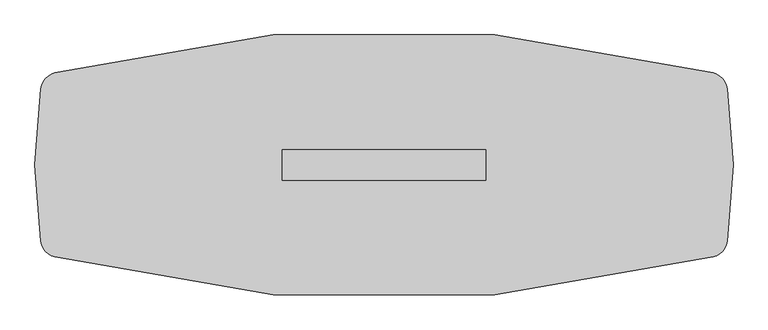
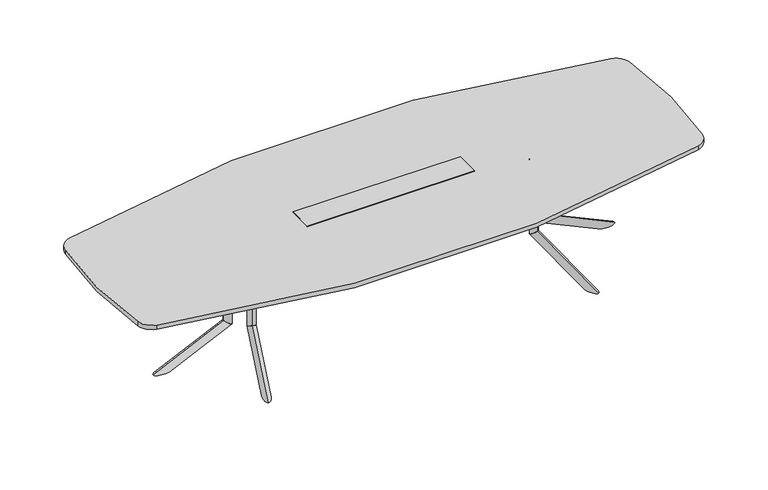
"""IFC4 building model written with IfcOpenShell, lengths in millimetres: furniture geometry."""

from ifc_helpers import new_model, si_unit, point, frame, frame_2d, origin, place, context, project, spatial, polyline, circle_curve, ellipse_curve, trimmed, segment, composite_curve, outline, extrude, faceted_brep, source, transform, mapped, element, save
from ifc_brep_helpers import plane_surface, cylinder_surface, advanced_brep


def furniture_1b339133(model_context):
    return source(origin(), model_context, "Body", "SolidModel", [
        advanced_brep(
        [(891.3223919, 75.2941685, 686.003912), (907.3497318, 122.655803, 686.003912), (907.3497318, 122.655803, 209.8373371), (891.3223919, 75.2941685, 177.9838308)],
        [
            (0, 1, circle_curve(frame((899.3360619, 98.9749857, 686.003912), z_axis=(0.0, 0.0, 1.0), x_axis=(0.3205467959798249, 0.9472326808060777, 0.0)), 25.0000002)),
            (1, 0, circle_curve(frame((899.3360619, 98.9749857, 686.003912), z_axis=(0.0, 0.0, 1.0), x_axis=(0.3205467959798249, 0.9472326808060777, 0.0)), 25.0000002)),
            (1, 2),
            (2, 3, ellipse_curve(frame((899.3360619, 98.9749857, 193.910584), z_axis=(-0.17222964099785984, -0.5089476688044559, 0.8433914993526187), x_axis=(0.2703464428741051, 0.7988879909008375, 0.5372995243062679)), 29.6422245, 25.0000002)),
            (3, 0),
            (3, 2, ellipse_curve(frame((899.3360619, 98.9749857, 193.910584), z_axis=(-0.17222964099785984, -0.5089476688044559, 0.8433914993526187), x_axis=(0.2703464428741051, 0.7988879909008375, 0.5372995243062679)), 29.6422245, 25.0000002)),
        ],
        [
            plane_surface(frame((907.3497318, 122.655803, 686.003912), z_axis=(0.0, 0.0, 1.0000000000000002), x_axis=(0.9472326808060777, -0.3205467959798249, 0.0))),
            cylinder_surface(frame((899.3360619, 98.9749857, 171.4949981), z_axis=(0.0, 0.0, 1.0), x_axis=(0.3205467959798249, 0.9472326808060777, 0.0)), 25.0000002),
            plane_surface(frame((973.4881968, 41.2603046, 174.2251154), z_axis=(0.17222964099785987, 0.508947668804456, -0.8433914993526189), x_axis=(-0.9472326808060767, 0.32054679597982794, 0.0))),
        ],
        [
            (0, [[1, 2]]),
            (1, [[3, 4, 5, -2]]),
            (1, [[-5, 6, -3, -1]]),
            (2, [[-6, -4]]),
        ],
    ),
        advanced_brep(
        [(1051.5935324, 548.9087623, 0.0), (1013.6663703, 436.8270746, 0.0), (891.3203866, 75.2882427, 177.9798453), (907.3497318, 122.6558029, 209.8373371)],
        [
            (0, 1, ellipse_curve(frame((1032.630699, 492.8676655, 0.0), z_axis=(0.0, 0.0, 1.0), x_axis=(-0.32054679597982483, -0.9472326808060776, 0.0)), 59.162434, 25.003125)),
            (1, 2),
            (2, 3, ellipse_curve(frame((899.3350592, 98.9720228, 193.9085912), z_axis=(0.17222964099785967, 0.5089476688044554, -0.843391499352619), x_axis=(-0.27034644287410003, -0.7988879909008393, -0.5372995243062673)), 29.6459333, 25.003125)),
            (3, 0),
            (3, 2, ellipse_curve(frame((899.3350592, 98.9720228, 193.9085912), z_axis=(0.17222964099785967, 0.5089476688044554, -0.843391499352619), x_axis=(-0.27034644287410003, -0.7988879909008393, -0.5372995243062673)), 29.6459333, 25.003125)),
            (1, 0, ellipse_curve(frame((1032.630699, 492.8676655, 0.0), z_axis=(0.0, 0.0, 1.0), x_axis=(-0.32054679597982483, -0.9472326808060776, 0.0)), 59.162434, 25.003125)),
        ],
        [
            cylinder_surface(frame((1048.2078767, 538.8990467, -22.6605205), z_axis=(-0.2905140573061644, -0.858484354750152, 0.42261826174069417), x_axis=(0.13546892972354252, 0.40031782902624236, 0.9063077870366524)), 25.003125),
            plane_surface(frame((976.6905535, 107.1040594, 214.6127246), z_axis=(-0.1722296409978597, -0.5089476688044555, 0.8433914993526193), x_axis=(-0.9472326808060767, 0.3205467959798279, 0.0))),
            plane_surface(frame((1057.5451428, 406.9632923, 0.0), z_axis=(0.0, 0.0, -1.0000000000000002), x_axis=(-0.9472326808060768, 0.3205467959798276, 0.0))),
        ],
        [
            (0, [[1, 2, 3, 4]]),
            (0, [[5, -2, 6, -4]]),
            (1, [[-5, -3]]),
            (2, [[-6, -1]]),
        ],
    ),
        extrude(outline(polyline([(0.0, 0.0), (-9.475476, 14.6158843), (381.7231629, 69.2843282), (391.4053704, 0.0), (0.0, 0.0)])), frame((1033.5005039, 489.1986462, 670.2172707), z_axis=(-0.9472326808060766, 0.320546795979828, 0.0), x_axis=(-0.3174619360313854, -0.9381167570298226, -0.13840111759322388)), (0.0, 0.0, 1.0), 4.0),
        extrude(outline(polyline([(827.323204, 120.1483939), (964.5259996, 525.589888), (1106.6109028, 477.5078683), (969.4081072, 72.0663742), (827.323204, 120.1483939)])), frame((0.0, 0.0, 686.003912), z_axis=(0.0, 0.0, 1.0), x_axis=(1.0, 0.0, 0.0)), (0.0, 0.0, 1.0), 3.9999739),
        advanced_brep(
        [(891.3223919, -75.2941685, 686.003912), (907.3497318, -122.655803, 686.003912), (891.3223919, -75.2941685, 177.9838308), (907.3497318, -122.655803, 209.8373371)],
        [
            (0, 1, circle_curve(frame((899.3360619, -98.9749857, 686.003912), z_axis=(0.0, 0.0, 1.0), x_axis=(0.3205467959798129, -0.9472326808060817, 0.0)), 25.0000002)),
            (1, 0, circle_curve(frame((899.3360619, -98.9749857, 686.003912), z_axis=(0.0, 0.0, 1.0), x_axis=(0.3205467959798129, -0.9472326808060817, 0.0)), 25.0000002)),
            (0, 2),
            (2, 3, ellipse_curve(frame((899.3360619, -98.9749857, 193.910584), z_axis=(-0.17222964099785343, 0.5089476688044581, 0.8433914993526187), x_axis=(0.270346442874095, -0.7988879909008408, 0.5372995243062678)), 29.6422245, 25.0000002)),
            (3, 1),
            (3, 2, ellipse_curve(frame((899.3360619, -98.9749857, 193.910584), z_axis=(-0.17222964099785343, 0.5089476688044581, 0.8433914993526187), x_axis=(0.270346442874095, -0.7988879909008408, 0.5372995243062678)), 29.6422245, 25.0000002)),
        ],
        [
            plane_surface(frame((907.3497318, -122.655803, 686.003912), z_axis=(0.0, 0.0, 1.0), x_axis=(0.9472326808060817, 0.3205467959798129, 0.0))),
            cylinder_surface(frame((899.3360619, -98.9749857, 171.4949981), z_axis=(0.0, 0.0, 1.0), x_axis=(0.3205467959798129, -0.9472326808060817, 0.0)), 25.0000002),
            plane_surface(frame((973.4881968, -41.2603046, 174.2251154), z_axis=(0.17222964099785343, -0.5089476688044581, -0.8433914993526187), x_axis=(-0.9472326808060807, -0.32054679597981595, 0.0))),
        ],
        [
            (0, [[1, 2]]),
            (1, [[-1, 3, 4, 5]]),
            (1, [[-2, -5, 6, -3]]),
            (2, [[-4, -6]]),
        ],
    ),
        advanced_brep(
        [(1051.5950232, -548.9082435, 6.4e-06), (907.3497318, -122.6558029, 209.8373371), (891.3203866, -75.2882427, 177.9798453), (1013.6663703, -436.8270746, 0.0)],
        [
            (0, 1),
            (1, 2, ellipse_curve(frame((899.3350592, -98.9720228, 193.9085912), z_axis=(0.17222964099785326, -0.5089476688044576, -0.843391499352619), x_axis=(-0.2703464428740898, 0.7988879909008427, -0.5372995243062677)), 29.6459333, 25.003125)),
            (2, 3),
            (3, 0, ellipse_curve(frame((1032.630699, -492.8676655, 0.0), z_axis=(0.0, 0.0, 1.0), x_axis=(-0.32054679597981284, 0.9472326808060817, 0.0)), 59.162434, 25.003125)),
            (0, 3, ellipse_curve(frame((1032.630699, -492.8676655, 0.0), z_axis=(0.0, 0.0, 1.0), x_axis=(-0.32054679597981284, 0.9472326808060817, 0.0)), 59.162434, 25.003125)),
            (2, 1, ellipse_curve(frame((899.3350592, -98.9720228, 193.9085912), z_axis=(0.17222964099785326, -0.5089476688044576, -0.843391499352619), x_axis=(-0.2703464428740898, 0.7988879909008427, -0.5372995243062677)), 29.6459333, 25.003125)),
        ],
        [
            cylinder_surface(frame((1048.2078767, -538.8990467, -22.6605205), z_axis=(-0.29051405730615354, 0.8584843547501557, 0.42261826174069417), x_axis=(0.13546892972353747, -0.400317829026244, 0.9063077870366524)), 25.003125),
            plane_surface(frame((976.6905535, -107.1040594, 214.6127246), z_axis=(-0.17222964099785326, 0.5089476688044576, 0.843391499352619), x_axis=(-0.9472326808060807, -0.3205467959798159, 0.0))),
            plane_surface(frame((1057.5451428, -406.9632923, 0.0), z_axis=(0.0, 0.0, -1.0), x_axis=(-0.9472326808060808, -0.3205467959798156, 0.0))),
        ],
        [
            (0, [[1, 2, 3, 4]]),
            (0, [[-1, 5, -3, 6]]),
            (1, [[-2, -6]]),
            (2, [[-4, -5]]),
        ],
    ),
        extrude(outline(polyline([(0.0, 0.0), (9.475476, -14.6158843), (-381.723163, -69.2843282), (-391.4053705, 0.0), (0.0, 0.0)])), frame((1029.7115732, -490.4808334, 670.2172707), z_axis=(0.9472326808060806, 0.320546795979816, 0.0), x_axis=(0.31746193603137357, -0.9381167570298267, 0.1384011175932239)), (0.0, 0.0, 1.0), 4.0),
        extrude(outline(polyline([(827.323204, -120.1483939), (969.4081072, -72.0663742), (1106.6109028, -477.5078683), (964.5259996, -525.589888), (827.323204, -120.1483939)])), frame((0.0, 0.0, 686.003912), z_axis=(0.0, 0.0, 1.0), x_axis=(1.0, 0.0, 0.0)), (0.0, 0.0, 1.0), 3.9999739),
        advanced_brep(
        [(970.220648, 0.0, 686.4114757), (1020.2206484, 0.0, 686.4114757), (970.220648, 0.0, 178.3913945), (1020.2206484, 0.0, 210.2449008)],
        [
            (0, 1, circle_curve(frame((995.2206482, 0.0, 686.4114757), z_axis=(0.0, 0.0, 1.0), x_axis=(1.0, 0.0, 0.0)), 25.0000002)),
            (1, 0, circle_curve(frame((995.2206482, 0.0, 686.4114757), z_axis=(0.0, 0.0, 1.0), x_axis=(1.0, 0.0, 0.0)), 25.0000002)),
            (0, 2),
            (2, 3, ellipse_curve(frame((995.2206482, 0.0, 194.3181477), z_axis=(-0.5372995243062679, 0.0, 0.8433914993526187), x_axis=(0.8433914993526187, 0.0, 0.5372995243062678)), 29.6422245, 25.0000002)),
            (3, 1),
            (3, 2, ellipse_curve(frame((995.2206482, 0.0, 194.3181477), z_axis=(-0.5372995243062679, 0.0, 0.8433914993526187), x_axis=(0.8433914993526187, 0.0, 0.5372995243062678)), 29.6422245, 25.0000002)),
        ],
        [
            plane_surface(frame((1020.2206484, 0.0, 686.4114757), z_axis=(0.0, 0.0, 1.0), x_axis=(0.0, 1.0, 0.0))),
            cylinder_surface(frame((995.2206482, 0.0, 171.9025618), z_axis=(0.0, 0.0, 1.0), x_axis=(1.0, 0.0, 0.0)), 25.0000002),
            plane_surface(frame((964.3206453, 88.7395816, 174.6326791), z_axis=(0.5372995243062679, 0.0, -0.8433914993526187), x_axis=(0.0, -1.0, 0.0))),
        ],
        [
            (0, [[1, 2]]),
            (1, [[-1, 3, 4, 5]]),
            (1, [[-2, -5, 6, -3]]),
            (2, [[-4, -6]]),
        ],
    ),
        advanced_brep(
        [(1470.2182563, 0.0, 0.4075701), (1020.2206484, 0.0, 210.2449008), (970.214392, 0.0, 178.387409), (1351.8934021, 0.0, 0.4075637)],
        [
            (0, 1),
            (1, 2, ellipse_curve(frame((995.2175202, 0.0, 194.3161549), z_axis=(0.5372995243062675, 0.0, -0.843391499352619), x_axis=(-0.843391499352619, 0.0, -0.5372995243062674)), 29.6459333, 25.003125)),
            (2, 3),
            (3, 0, ellipse_curve(frame((1411.055836, 0.0, 0.4075637), z_axis=(0.0, 0.0, 1.0), x_axis=(-1.0, 0.0, 0.0)), 59.162434, 25.003125)),
            (0, 3, ellipse_curve(frame((1411.055836, 0.0, 0.4075637), z_axis=(0.0, 0.0, 1.0), x_axis=(-1.0, 0.0, 0.0)), 59.162434, 25.003125)),
            (2, 1, ellipse_curve(frame((995.2175202, 0.0, 194.3161549), z_axis=(0.5372995243062675, 0.0, -0.843391499352619), x_axis=(-0.843391499352619, 0.0, -0.5372995243062674)), 29.6459333, 25.003125)),
        ],
        [
            cylinder_surface(frame((1459.6514791, 0.0, -22.2529568), z_axis=(-0.9063077870366524, 0.0, 0.42261826174069417), x_axis=(0.42261826174069417, 0.0, 0.9063077870366524)), 25.003125),
            plane_surface(frame((1027.7165069, 70.666954, 215.0202883), z_axis=(-0.5372995243062675, 0.0, 0.843391499352619), x_axis=(0.0, -1.0, 0.0))),
            plane_surface(frame((1337.6706514, 51.136147, 0.4075637), z_axis=(0.0, 0.0, -1.0), x_axis=(0.0, -1.0, 0.0))),
        ],
        [
            (0, [[1, 2, 3, 4]]),
            (0, [[-1, 5, -3, 6]]),
            (1, [[-2, -6]]),
            (2, [[-4, -5]]),
        ],
    ),
        extrude(outline(polyline([(670.6248344, 1407.8592342), (686.4114757, 1415.2206659), (686.4114757, 1020.2206484), (616.4538937, 1020.2206484), (670.6248344, 1407.8592342)])), frame((0.0, -2.0, 0.0), z_axis=(0.0, 1.0, 0.0), x_axis=(0.0, 0.0, 1.0)), (0.0, 0.0, 1.0), 4.0),
        extrude(outline(polyline([(992.1933015, -75.0000006), (992.1933015, 75.0000006), (1420.2206514, 75.0000006), (1420.2206514, -75.0000006), (992.1933015, -75.0000006)])), frame((0.0, 0.0, 686.4114757), z_axis=(0.0, 0.0, 1.0), x_axis=(1.0, 0.0, 0.0)), (0.0, 0.0, 1.0), 3.9999739),
        extrude(outline(composite_curve([segment(trimmed(circle_curve(frame_2d((893.7271514, 0.1720115)), 88.6441382), [point((921.6449789, 84.3051093))], [point((978.7833158, 25.1366295))], False, "CARTESIAN"), True, "CONTINUOUS"), segment(polyline([(978.7833158, 25.1366295), (974.2135834, 23.795379)]), True, "CONTINUOUS"), segment(trimmed(circle_curve(frame_2d((893.7271514, 0.1720115)), 83.8816382), [point((974.2135834, 23.795379))], [point((920.1450641, 79.7849698))], True, "CARTESIAN"), True, "CONTINUOUS"), segment(polyline([(920.1450641, 79.7849698), (921.6449789, 84.3051093)]), True, "CONTINUOUS")], self_intersect=False)), frame((0.0, 0.0, 417.003907), z_axis=(0.0, 0.0, 1.0), x_axis=(1.0, 0.0, 0.0)), (0.0, 0.0, 1.0), 199.4499866),
        extrude(outline(composite_curve([segment(polyline([(921.6449789, -84.3051093), (920.1450641, -79.7849698)]), True, "CONTINUOUS"), segment(trimmed(circle_curve(frame_2d((893.7271514, -0.1720115)), 83.8816382), [point((920.1450641, -79.7849698))], [point((974.2135834, -23.795379))], True, "CARTESIAN"), True, "CONTINUOUS"), segment(polyline([(974.2135834, -23.795379), (978.7833158, -25.1366295)]), True, "CONTINUOUS"), segment(trimmed(circle_curve(frame_2d((893.7271514, -0.1720115)), 88.6441382), [point((978.7833158, -25.1366295))], [point((921.6449789, -84.3051093))], False, "CARTESIAN"), True, "CONTINUOUS")], self_intersect=False)), frame((0.0, 0.0, 417.003907), z_axis=(0.0, 0.0, 1.0), x_axis=(1.0, 0.0, 0.0)), (0.0, 0.0, 1.0), 199.4499866),
        faceted_brep([(533.4, 79.6726562, 721.2210938), (-533.4, 79.6726562, 721.2210938), (-533.4, -79.6726563, 721.2210938), (533.4, -79.6726563, 721.2210938), (533.4, 79.6726562, 718.0460938), (533.4, -79.6726563, 718.0460938), (-533.4, -79.6726563, 718.0460938), (-533.4, 79.6726562, 718.0460938), (530.225, 74.9101562, 718.0460938), (-530.225, 74.9101562, 718.0460938), (-530.225, -74.9101563, 718.0460938), (530.225, -74.9101563, 718.0460938), (530.225, 74.9101562, 648.1960938), (530.225, -74.9101563, 648.1960938), (-530.225, -74.9101563, 648.1960938), (-530.225, 74.9101562, 648.1960938)], [[[0, 1, 2, 3]], [[4, 5, 6, 7], [8, 9, 10, 11]], [[1, 0, 4, 7]], [[2, 1, 7, 6]], [[3, 2, 6, 5]], [[0, 3, 5, 4]], [[12, 13, 14, 15]], [[12, 15, 9, 8]], [[15, 14, 10, 9]], [[14, 13, 11, 10]], [[13, 12, 8, 11]]]),
        advanced_brep(
        [(-891.3223919, -75.2941685, 686.003912), (-907.3497318, -122.655803, 686.003912), (-907.3497318, -122.655803, 209.8373371), (-891.3223919, -75.2941685, 177.9838308)],
        [
            (0, 1, circle_curve(frame((-899.3360619, -98.9749857, 686.003912), z_axis=(0.0, 0.0, 1.0), x_axis=(-0.3205467959798189, -0.9472326808060797, 0.0)), 25.0000002)),
            (1, 0, circle_curve(frame((-899.3360619, -98.9749857, 686.003912), z_axis=(0.0, 0.0, 1.0), x_axis=(-0.3205467959798189, -0.9472326808060797, 0.0)), 25.0000002)),
            (1, 2),
            (2, 3, ellipse_curve(frame((-899.3360619, -98.9749857, 193.910584), z_axis=(0.17222964099785665, 0.508947668804457, 0.8433914993526188), x_axis=(-0.27034644287410003, -0.7988879909008393, 0.5372995243062675)), 29.6422245, 25.0000002)),
            (3, 0),
            (3, 2, ellipse_curve(frame((-899.3360619, -98.9749857, 193.910584), z_axis=(0.17222964099785665, 0.508947668804457, 0.8433914993526188), x_axis=(-0.27034644287410003, -0.7988879909008393, 0.5372995243062675)), 29.6422245, 25.0000002)),
        ],
        [
            plane_surface(frame((-907.3497318, -122.655803, 686.003912), z_axis=(0.0, 0.0, 1.0), x_axis=(-0.9472326808060797, 0.3205467959798189, 0.0))),
            cylinder_surface(frame((-899.3360619, -98.9749857, 171.4949981), z_axis=(0.0, 0.0, 1.0), x_axis=(-0.3205467959798189, -0.9472326808060797, 0.0)), 25.0000002),
            plane_surface(frame((-973.4881968, -41.2603046, 174.2251154), z_axis=(-0.17222964099785665, -0.508947668804457, -0.8433914993526188), x_axis=(0.9472326808060787, -0.32054679597982194, 0.0))),
        ],
        [
            (0, [[1, 2]]),
            (1, [[3, 4, 5, -2]]),
            (1, [[-5, 6, -3, -1]]),
            (2, [[-6, -4]]),
        ],
    ),
        advanced_brep(
        [(-1051.5935324, -548.9087623, 0.0), (-1013.6663703, -436.8270746, 0.0), (-891.3203866, -75.2882427, 177.9798453), (-907.3497318, -122.6558029, 209.8373371)],
        [
            (0, 1, ellipse_curve(frame((-1032.630699, -492.8676655, 0.0), z_axis=(0.0, 0.0, 1.0), x_axis=(0.32054679597981883, 0.9472326808060797, 0.0)), 59.162434, 25.003125)),
            (1, 2),
            (2, 3, ellipse_curve(frame((-899.3350592, -98.9720228, 193.9085912), z_axis=(-0.17222964099785648, -0.5089476688044566, -0.843391499352619), x_axis=(0.2703464428740949, 0.798887990900841, -0.5372995243062678)), 29.6459333, 25.003125)),
            (3, 0),
            (3, 2, ellipse_curve(frame((-899.3350592, -98.9720228, 193.9085912), z_axis=(-0.17222964099785648, -0.5089476688044566, -0.843391499352619), x_axis=(0.2703464428740949, 0.798887990900841, -0.5372995243062678)), 29.6459333, 25.003125)),
            (1, 0, ellipse_curve(frame((-1032.630699, -492.8676655, 0.0), z_axis=(0.0, 0.0, 1.0), x_axis=(0.32054679597981883, 0.9472326808060797, 0.0)), 59.162434, 25.003125)),
        ],
        [
            cylinder_surface(frame((-1048.2078767, -538.8990467, -22.6605205), z_axis=(0.290514057306159, 0.8584843547501538, 0.42261826174069417), x_axis=(-0.13546892972354, -0.4003178290262432, 0.9063077870366524)), 25.003125),
            plane_surface(frame((-976.6905535, -107.1040594, 214.6127246), z_axis=(0.17222964099785648, 0.5089476688044566, 0.843391499352619), x_axis=(0.9472326808060787, -0.3205467959798219, 0.0))),
            plane_surface(frame((-1057.5451428, -406.9632923, 0.0), z_axis=(0.0, 0.0, -1.0000000000000002), x_axis=(0.9472326808060788, -0.3205467959798216, 0.0))),
        ],
        [
            (0, [[1, 2, 3, 4]]),
            (0, [[5, -2, 6, -4]]),
            (1, [[-5, -3]]),
            (2, [[-6, -1]]),
        ],
    ),
        extrude(outline(polyline([(0.0, 0.0), (-391.4053705, 0.0), (-381.723163, 69.2843282), (9.475476, 14.6158843), (0.0, 0.0)])), frame((-1029.7115732, -490.4808334, 670.2172707), z_axis=(-0.9472326808060786, 0.320546795979822, 0.0), x_axis=(-0.31746193603137945, -0.9381167570298246, 0.13840111759322388)), (0.0, 0.0, 1.0), 4.0),
        extrude(outline(polyline([(-827.323204, -120.1483939), (-964.5259996, -525.589888), (-1106.6109028, -477.5078683), (-969.4081072, -72.0663742), (-827.323204, -120.1483939)])), frame((0.0, 0.0, 686.003912), z_axis=(0.0, 0.0, 1.0), x_axis=(1.0, 0.0, 0.0)), (0.0, 0.0, 1.0), 3.9999739),
        advanced_brep(
        [(-891.3223919, 75.2941685, 686.003912), (-907.3497318, 122.655803, 686.003912), (-891.3223919, 75.2941685, 177.9838308), (-907.3497318, 122.655803, 209.8373371)],
        [
            (0, 1, circle_curve(frame((-899.3360619, 98.9749857, 686.003912), z_axis=(0.0, 0.0, 1.0), x_axis=(-0.3205467959798189, 0.9472326808060797, 0.0)), 25.0000002)),
            (1, 0, circle_curve(frame((-899.3360619, 98.9749857, 686.003912), z_axis=(0.0, 0.0, 1.0), x_axis=(-0.3205467959798189, 0.9472326808060797, 0.0)), 25.0000002)),
            (0, 2),
            (2, 3, ellipse_curve(frame((-899.3360619, 98.9749857, 193.910584), z_axis=(0.17222964099785665, -0.508947668804457, 0.8433914993526188), x_axis=(-0.27034644287410003, 0.7988879909008393, 0.5372995243062675)), 29.6422245, 25.0000002)),
            (3, 1),
            (3, 2, ellipse_curve(frame((-899.3360619, 98.9749857, 193.910584), z_axis=(0.17222964099785665, -0.508947668804457, 0.8433914993526188), x_axis=(-0.27034644287410003, 0.7988879909008393, 0.5372995243062675)), 29.6422245, 25.0000002)),
        ],
        [
            plane_surface(frame((-907.3497318, 122.655803, 686.003912), z_axis=(0.0, 0.0, 1.0), x_axis=(-0.9472326808060797, -0.3205467959798189, 0.0))),
            cylinder_surface(frame((-899.3360619, 98.9749857, 171.4949981), z_axis=(0.0, 0.0, 1.0), x_axis=(-0.3205467959798189, 0.9472326808060797, 0.0)), 25.0000002),
            plane_surface(frame((-973.4881968, 41.2603046, 174.2251154), z_axis=(-0.17222964099785665, 0.508947668804457, -0.8433914993526188), x_axis=(0.9472326808060787, 0.32054679597982194, 0.0))),
        ],
        [
            (0, [[1, 2]]),
            (1, [[-1, 3, 4, 5]]),
            (1, [[-2, -5, 6, -3]]),
            (2, [[-4, -6]]),
        ],
    ),
        advanced_brep(
        [(-1051.5950232, 548.9082435, 6.4e-06), (-907.3497318, 122.6558029, 209.8373371), (-891.3203866, 75.2882427, 177.9798453), (-1013.6663703, 436.8270746, 0.0)],
        [
            (0, 1),
            (1, 2, ellipse_curve(frame((-899.3350592, 98.9720228, 193.9085912), z_axis=(-0.17222964099785648, 0.5089476688044566, -0.843391499352619), x_axis=(0.2703464428740949, -0.798887990900841, -0.5372995243062678)), 29.6459333, 25.003125)),
            (2, 3),
            (3, 0, ellipse_curve(frame((-1032.630699, 492.8676655, 0.0), z_axis=(0.0, 0.0, 1.0), x_axis=(0.32054679597981883, -0.9472326808060797, 0.0)), 59.162434, 25.003125)),
            (0, 3, ellipse_curve(frame((-1032.630699, 492.8676655, 0.0), z_axis=(0.0, 0.0, 1.0), x_axis=(0.32054679597981883, -0.9472326808060797, 0.0)), 59.162434, 25.003125)),
            (2, 1, ellipse_curve(frame((-899.3350592, 98.9720228, 193.9085912), z_axis=(-0.17222964099785648, 0.5089476688044566, -0.843391499352619), x_axis=(0.2703464428740949, -0.798887990900841, -0.5372995243062678)), 29.6459333, 25.003125)),
        ],
        [
            cylinder_surface(frame((-1048.2078767, 538.8990467, -22.6605205), z_axis=(0.290514057306159, -0.8584843547501538, 0.42261826174069417), x_axis=(-0.13546892972354, 0.4003178290262432, 0.9063077870366524)), 25.003125),
            plane_surface(frame((-976.6905535, 107.1040594, 214.6127246), z_axis=(0.17222964099785648, -0.5089476688044566, 0.843391499352619), x_axis=(0.9472326808060787, 0.3205467959798219, 0.0))),
            plane_surface(frame((-1057.5451428, 406.9632923, 0.0), z_axis=(0.0, 0.0, -1.0000000000000002), x_axis=(0.9472326808060788, 0.3205467959798216, 0.0))),
        ],
        [
            (0, [[1, 2, 3, 4]]),
            (0, [[-1, 5, -3, 6]]),
            (1, [[-2, -6]]),
            (2, [[-4, -5]]),
        ],
    ),
        extrude(outline(polyline([(0.0, 0.0), (391.4053704, 0.0), (381.7231629, -69.2843282), (-9.475476, -14.6158843), (0.0, 0.0)])), frame((-1033.5005039, 489.1986462, 670.2172707), z_axis=(0.9472326808060786, 0.320546795979822, 0.0), x_axis=(0.31746193603137945, -0.9381167570298246, -0.13840111759322388)), (0.0, 0.0, 1.0), 4.0),
        extrude(outline(polyline([(-827.323204, 120.1483939), (-969.4081072, 72.0663742), (-1106.6109028, 477.5078683), (-964.5259996, 525.589888), (-827.323204, 120.1483939)])), frame((0.0, 0.0, 686.003912), z_axis=(0.0, 0.0, 1.0), x_axis=(1.0, 0.0, 0.0)), (0.0, 0.0, 1.0), 3.9999739),
        advanced_brep(
        [(-970.220648, 0.0, 686.4114757), (-1020.2206484, 0.0, 686.4114757), (-970.220648, 0.0, 178.3913945), (-1020.2206484, 0.0, 210.2449008)],
        [
            (0, 1, circle_curve(frame((-995.2206482, 0.0, 686.4114757), z_axis=(0.0, 0.0, 1.0), x_axis=(-1.0, 0.0, 0.0)), 25.0000002)),
            (1, 0, circle_curve(frame((-995.2206482, 0.0, 686.4114757), z_axis=(0.0, 0.0, 1.0), x_axis=(-1.0, 0.0, 0.0)), 25.0000002)),
            (0, 2),
            (2, 3, ellipse_curve(frame((-995.2206482, 0.0, 194.3181477), z_axis=(0.5372995243062679, 0.0, 0.8433914993526187), x_axis=(-0.8433914993526187, 0.0, 0.5372995243062678)), 29.6422245, 25.0000002)),
            (3, 1),
            (3, 2, ellipse_curve(frame((-995.2206482, 0.0, 194.3181477), z_axis=(0.5372995243062679, 0.0, 0.8433914993526187), x_axis=(-0.8433914993526187, 0.0, 0.5372995243062678)), 29.6422245, 25.0000002)),
        ],
        [
            plane_surface(frame((-1020.2206484, 0.0, 686.4114757), z_axis=(0.0, 0.0, 1.0), x_axis=(0.0, -1.0, 0.0))),
            cylinder_surface(frame((-995.2206482, 0.0, 171.9025618), z_axis=(0.0, 0.0, 1.0), x_axis=(-1.0, 0.0, 0.0)), 25.0000002),
            plane_surface(frame((-964.3206453, -88.7395816, 174.6326791), z_axis=(-0.5372995243062679, 0.0, -0.8433914993526187), x_axis=(0.0, 1.0, 0.0))),
        ],
        [
            (0, [[1, 2]]),
            (1, [[-1, 3, 4, 5]]),
            (1, [[-2, -5, 6, -3]]),
            (2, [[-4, -6]]),
        ],
    ),
        advanced_brep(
        [(-1470.2182563, 0.0, 0.4075701), (-1020.2206484, 0.0, 210.2449008), (-970.214392, 0.0, 178.387409), (-1351.8934021, 0.0, 0.4075637)],
        [
            (0, 1),
            (1, 2, ellipse_curve(frame((-995.2175202, 0.0, 194.3161549), z_axis=(-0.5372995243062675, 0.0, -0.843391499352619), x_axis=(0.843391499352619, 0.0, -0.5372995243062674)), 29.6459333, 25.003125)),
            (2, 3),
            (3, 0, ellipse_curve(frame((-1411.055836, 0.0, 0.4075637), z_axis=(0.0, 0.0, 1.0), x_axis=(1.0, 0.0, 0.0)), 59.162434, 25.003125)),
            (0, 3, ellipse_curve(frame((-1411.055836, 0.0, 0.4075637), z_axis=(0.0, 0.0, 1.0), x_axis=(1.0, 0.0, 0.0)), 59.162434, 25.003125)),
            (2, 1, ellipse_curve(frame((-995.2175202, 0.0, 194.3161549), z_axis=(-0.5372995243062675, 0.0, -0.843391499352619), x_axis=(0.843391499352619, 0.0, -0.5372995243062674)), 29.6459333, 25.003125)),
        ],
        [
            cylinder_surface(frame((-1459.6514791, 0.0, -22.2529568), z_axis=(0.9063077870366524, 0.0, 0.42261826174069417), x_axis=(-0.42261826174069417, 0.0, 0.9063077870366524)), 25.003125),
            plane_surface(frame((-1027.7165069, -70.666954, 215.0202883), z_axis=(0.5372995243062675, 0.0, 0.843391499352619), x_axis=(0.0, 1.0, 0.0))),
            plane_surface(frame((-1337.6706514, -51.136147, 0.4075637), z_axis=(0.0, 0.0, -1.0), x_axis=(0.0, 1.0, 0.0))),
        ],
        [
            (0, [[1, 2, 3, 4]]),
            (0, [[-1, 5, -3, 6]]),
            (1, [[-2, -6]]),
            (2, [[-4, -5]]),
        ],
    ),
        extrude(outline(polyline([(670.6248344, -1407.8592342), (616.4538937, -1020.2206484), (686.4114757, -1020.2206484), (686.4114757, -1415.2206659), (670.6248344, -1407.8592342)])), frame((0.0, -2.0, 0.0), z_axis=(0.0, 1.0, 0.0), x_axis=(0.0, 0.0, 1.0)), (0.0, 0.0, 1.0), 4.0),
        extrude(outline(polyline([(-992.1933015, 75.0000006), (-992.1933015, -75.0000006), (-1420.2206514, -75.0000006), (-1420.2206514, 75.0000006), (-992.1933015, 75.0000006)])), frame((0.0, 0.0, 686.4114757), z_axis=(0.0, 0.0, 1.0), x_axis=(1.0, 0.0, 0.0)), (0.0, 0.0, 1.0), 3.9999739),
        extrude(outline(composite_curve([segment(trimmed(circle_curve(frame_2d((-893.7271514, -0.1720115)), 88.6441382), [point((-921.6449789, -84.3051093))], [point((-978.7833158, -25.1366295))], False, "CARTESIAN"), True, "CONTINUOUS"), segment(polyline([(-978.7833158, -25.1366295), (-974.2135834, -23.795379)]), True, "CONTINUOUS"), segment(trimmed(circle_curve(frame_2d((-893.7271514, -0.1720115)), 83.8816382), [point((-974.2135834, -23.795379))], [point((-920.1450641, -79.7849698))], True, "CARTESIAN"), True, "CONTINUOUS"), segment(polyline([(-920.1450641, -79.7849698), (-921.6449789, -84.3051093)]), True, "CONTINUOUS")], self_intersect=False)), frame((0.0, 0.0, 417.003907), z_axis=(0.0, 0.0, 1.0), x_axis=(1.0, 0.0, 0.0)), (0.0, 0.0, 1.0), 199.4499866),
        extrude(outline(composite_curve([segment(polyline([(-921.6449789, 84.3051093), (-920.1450641, 79.7849698)]), True, "CONTINUOUS"), segment(trimmed(circle_curve(frame_2d((-893.7271514, 0.1720115)), 83.8816382), [point((-920.1450641, 79.7849698))], [point((-974.2135834, 23.795379))], True, "CARTESIAN"), True, "CONTINUOUS"), segment(polyline([(-974.2135834, 23.795379), (-978.7833158, 25.1366295)]), True, "CONTINUOUS"), segment(trimmed(circle_curve(frame_2d((-893.7271514, 0.1720115)), 88.6441382), [point((-978.7833158, 25.1366295))], [point((-921.6449789, 84.3051093))], False, "CARTESIAN"), True, "CONTINUOUS")], self_intersect=False)), frame((0.0, 0.0, 417.003907), z_axis=(0.0, 0.0, 1.0), x_axis=(1.0, 0.0, 0.0)), (0.0, 0.0, 1.0), 199.4499866),
        extrude(outline(composite_curve([segment(trimmed(circle_curve(frame_2d((1699.9070825, 384.0343198)), 101.5999765), [point((1725.9173898, 482.2484692))], [point((1800.3644631, 399.2287238))], False, "CARTESIAN"), True, "CONTINUOUS"), segment(trimmed(circle_curve(frame_2d((-839.3451825, -0.0332776)), 2669.733537), [point((1800.3644631, 399.2287238))], [point((1800.3753878, -399.2230438))], False, "CARTESIAN"), True, "CONTINUOUS"), segment(trimmed(circle_curve(frame_2d((1699.9175682, -384.0313853)), 101.6), [point((1800.3753878, -399.2230438))], [point((1725.9280359, -482.2455165))], False, "CARTESIAN"), True, "CONTINUOUS"), segment(trimmed(circle_curve(frame_2d((-0.0824982, 6035.077698)), 6742.0037264), [point((1725.9280359, -482.2455165))], [point((-1725.9185055, -482.2917347))], False, "CARTESIAN"), True, "CONTINUOUS"), segment(trimmed(circle_curve(frame_2d((-1699.9106676, -384.076906)), 101.600001), [point((-1725.9185055, -482.2917347))], [point((-1800.3682158, -399.2703657))], False, "CARTESIAN"), True, "CONTINUOUS"), segment(trimmed(circle_curve(frame_2d((839.3451825, -0.0332776)), 2669.7335218), [point((-1800.3682158, -399.2703657))], [point((-1800.3572898, 399.2760457))], False, "CARTESIAN"), True, "CONTINUOUS"), segment(trimmed(circle_curve(frame_2d((-1699.9001806, 384.0798406)), 101.5999775), [point((-1800.3572898, 399.2760457))], [point((-1725.9078581, 482.2946874))], False, "CARTESIAN"), True, "CONTINUOUS"), segment(trimmed(circle_curve(frame_2d((-0.0824982, -6035.0759519)), 6742.0021672), [point((-1725.9078581, 482.2946874))], [point((1725.9173898, 482.2484692))], False, "CARTESIAN"), True, "CONTINUOUS")], self_intersect=False)), frame((0.0, 0.0, 689.9671875), z_axis=(0.0, 0.0, 1.0), x_axis=(1.0, 0.0, 0.0)), (0.0, 0.0, 1.0), 28.0789063),
        extrude(outline(polyline([(869.95, -88.7586607), (869.95, -95.1086607), (-869.95, -95.1086607), (-869.95, -88.7586607), (869.95, -88.7586607)])), frame((0.0, 0.0, 417.003907), z_axis=(0.0, 0.0, 1.0), x_axis=(1.0, 0.0, 0.0)), (0.0, 0.0, 1.0), 272.9999788),
        extrude(outline(polyline([(869.95, 95.1086607), (869.95, 88.7586607), (-869.95, 88.7586607), (-869.95, 95.1086607), (869.95, 95.1086607)])), frame((0.0, 0.0, 417.003907), z_axis=(0.0, 0.0, 1.0), x_axis=(1.0, 0.0, 0.0)), (0.0, 0.0, 1.0), 272.9999788),
    ])


if __name__ == "__main__":
    model = new_model("IFC4")
    model_context = context("Model", 3, world=origin())
    ifc_project = project(units=[si_unit("LENGTHUNIT", "METRE", prefix="MILLI")], contexts=[model_context])
    site = spatial("IfcSite", under=ifc_project)
    building = spatial("IfcBuilding", under=site)
    placement = place(None, origin())
    furniture_shape = furniture_1b339133(model_context)
    element("IfcFurniture", 1, at=placement, inside=building, context=model_context, shape_type="MappedRepresentation", body=[
        mapped(furniture_shape, transform((0.0, 0.0, 0.0), x_axis=(1.0, 0.0, 0.0), y_axis=(0.0, 1.0, 0.0), z_axis=(0.0, 0.0, 1.0))),
    ])
    save(model, "model.ifc")
